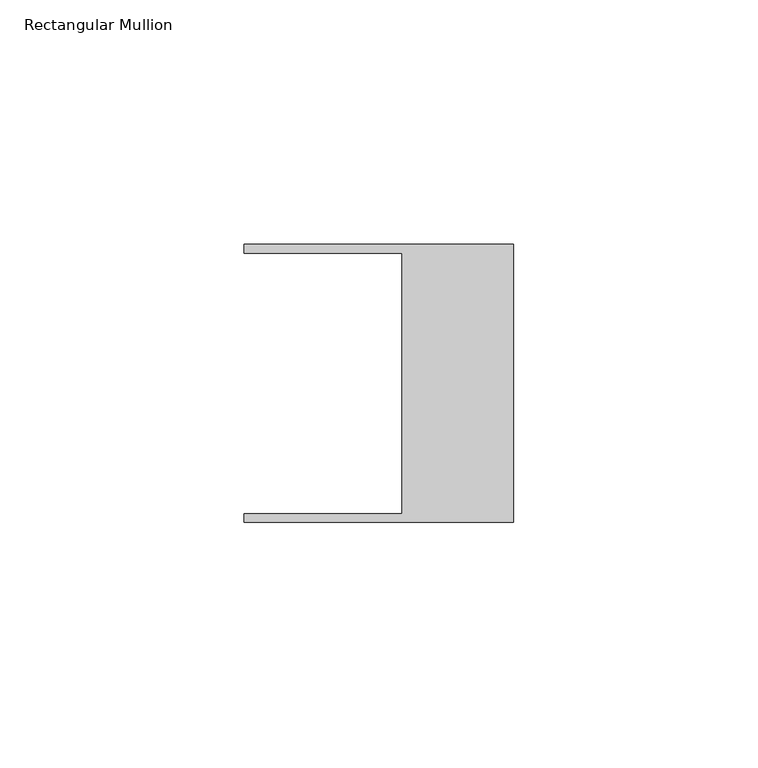
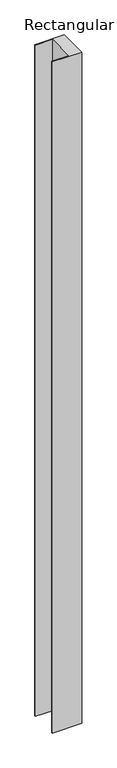
"""IFC4 building model written with IfcOpenShell, lengths in millimetres: member geometry, Rectangular Mullion."""

from ifc_helpers import new_model, si_unit, frame, origin, place, context, project, spatial, polyline, outline, extrude, source, transform, mapped, element, save


def rectangular_mullion_3419b866(model_context):
    return source(origin(), model_context, "Body", "SweptSolid", [
        extrude(outline(polyline([(-55.118, -26.67), (-22.86, -26.67), (-22.86, 26.67), (-55.118, 26.67), (-55.118, 28.448), (0.0, 28.448), (0.0, -28.448), (-55.118, -28.448), (-55.118, -26.67)])), frame((0.0, 0.0, -1335.3542), z_axis=(0.0, 0.0, 1.0), x_axis=(1.0, 0.0, 0.0)), (0.0, 0.0, 1.0), 1335.3542),
    ])


if __name__ == "__main__":
    model = new_model("IFC4")
    model_context = context("Model", 3, world=origin())
    ifc_project = project(units=[si_unit("LENGTHUNIT", "METRE", prefix="MILLI")], contexts=[model_context])
    site = spatial("IfcSite", under=ifc_project)
    building = spatial("IfcBuilding", under=site)
    placement = place(None, origin())
    rectangular_mullion_shape = rectangular_mullion_3419b866(model_context)
    element("IfcMember", 1, ObjectType="Rectangular Mullion", at=placement, inside=building, context=model_context, shape_type="MappedRepresentation", body=[
        mapped(rectangular_mullion_shape, transform((0.0, 0.0, 0.0), x_axis=(1.0, 0.0, 0.0), y_axis=(0.0, 1.0, 0.0), z_axis=(0.0, 0.0, 1.0))),
    ])
    save(model, "model.ifc")
